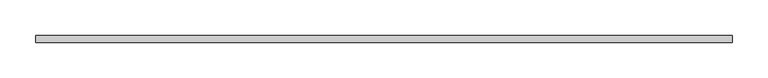
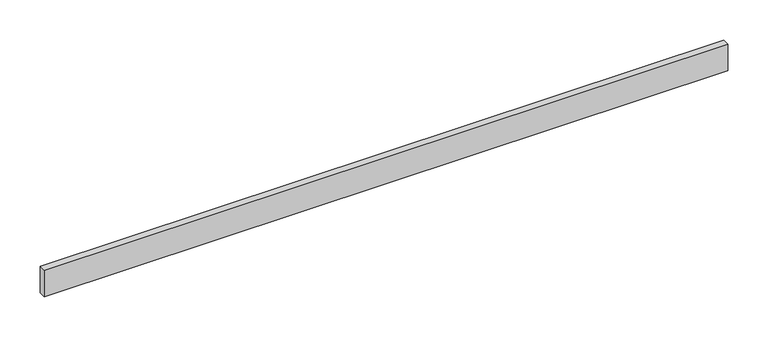
"""IFC4 building model written with IfcOpenShell, lengths in millimetres: railing geometry."""

from ifc_helpers import new_model, si_unit, frame, origin, place, context, project, spatial, polyline, outline, extrude, source, transform, mapped, element, save


def railing_7bfc4407(model_context):
    return source(origin(), model_context, "Body", "SweptSolid", [
        extrude(outline(polyline([(2434.7711644, 35576.9465374), (2434.7711644, 35566.9465374), (1456.7149219, 35566.9465374), (1456.7149219, 35576.9465374), (2434.7711644, 35576.9465374)])), frame((0.0, 0.0, 710.0), z_axis=(0.0, 0.0, 1.0), x_axis=(1.0, 0.0, 0.0)), (0.0, 0.0, 1.0), 40.0),
    ])


if __name__ == "__main__":
    model = new_model("IFC4")
    model_context = context("Model", 3, world=origin())
    ifc_project = project(units=[si_unit("LENGTHUNIT", "METRE", prefix="MILLI")], contexts=[model_context])
    site = spatial("IfcSite", under=ifc_project)
    building = spatial("IfcBuilding", under=site)
    placement = place(None, origin())
    railing_shape = railing_7bfc4407(model_context)
    element("IfcRailing", 1, at=placement, inside=building, context=model_context, shape_type="MappedRepresentation", body=[
        mapped(railing_shape, transform((0.0, 0.0, 0.0), x_axis=(1.0, 0.0, 0.0), y_axis=(0.0, 1.0, 0.0), z_axis=(0.0, 0.0, 1.0))),
    ])
    save(model, "model.ifc")
